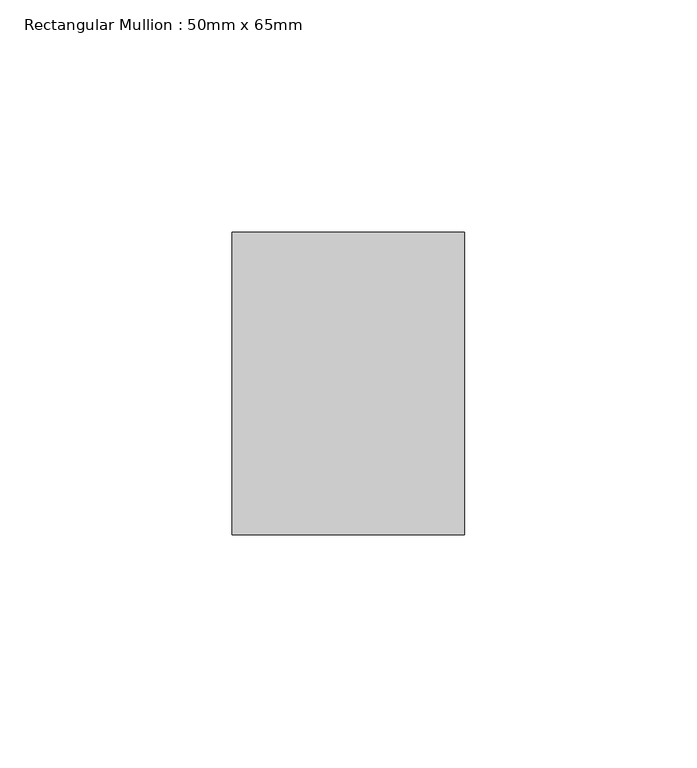
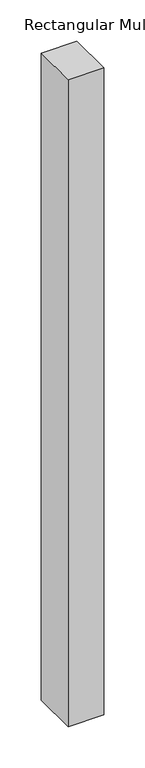
"""IFC4 building model written with IfcOpenShell, lengths in millimetres: member geometry, Rectangular Mullion : 50mm x 65mm."""

import ifcopenshell
import ifcopenshell.guid

model = None  # the IFC model being written
_history = None  # IfcOwnerHistory: only IFC2X3 demands one
_inside = {}  # id of a spatial element -> (the spatial element, [elements in it])
_under = {}  # id of a project, library or spatial element -> (it, [spatial elements below it])
_declared = {}  # id of a project -> (the project, [libraries it declares])
_typed = {}  # id of a type object -> (the type object, [elements of that type])
_made_of = {}  # id of a material, layer set ... -> (it, [elements and type objects made of it])


def new_model(schema):
    """Start an empty IFC model of exactly this schema.

    Asked for "IFC4X3", IfcOpenShell would pick the latest addendum, in which some entities
    have other attributes; the version numbers below select the first issue.
    IFC2X3 requires an IfcOwnerHistory on every rooted entity: one is made here for all.
    """
    global model, _history
    if schema == "IFC4X3":
        model = ifcopenshell.file(schema_version=(4, 3, 0, 0))
    else:
        model = ifcopenshell.file(schema=schema)
    _inside.clear()
    _under.clear()
    _declared.clear()
    _typed.clear()
    _made_of.clear()
    _history = None
    if model.schema == "IFC2X3":
        org = make("IfcOrganization", Name="unknown")
        user = make(
            "IfcPersonAndOrganization",
            ThePerson=make("IfcPerson", FamilyName="unknown"),
            TheOrganization=org,
        )
        app = make(
            "IfcApplication",
            ApplicationDeveloper=org,
            Version="unknown",
            ApplicationFullName="unknown",
            ApplicationIdentifier="unknown",
        )
        _history = make(
            "IfcOwnerHistory",
            OwningUser=user,
            OwningApplication=app,
            ChangeAction="ADDED",
            CreationDate=0,
        )
    return model


def make(cls, **values):
    """One entity of the class cls with the attributes given. An attribute that is None is left unset."""
    return model.create_entity(
        cls, **{name: value for name, value in values.items() if value is not None}
    )


def rooted(cls, **values):
    """An entity with a GlobalId (a new one), such as an element, a storey or a relation."""
    return make(cls, GlobalId=ifcopenshell.guid.new(), OwnerHistory=_history, **values)


def si_unit(unit_type, name, prefix=None):
    """IfcSIUnit, for example si_unit("LENGTHUNIT", "METRE", prefix="MILLI")."""
    return make("IfcSIUnit", UnitType=unit_type, Prefix=prefix, Name=name)


def assignment(units):
    """IfcUnitAssignment: the units of a project."""
    return None if units is None else make("IfcUnitAssignment", Units=units)


def point(xyz):
    """IfcCartesianPoint."""
    return None if xyz is None else make("IfcCartesianPoint", Coordinates=xyz)


def direction(xyz):
    """IfcDirection."""
    return None if xyz is None else make("IfcDirection", DirectionRatios=xyz)


def frame(location, z_axis=None, x_axis=None):
    """IfcAxis2Placement3D, a coordinate frame: its origin and axes. An axis left out is left unset."""
    return make(
        "IfcAxis2Placement3D",
        Location=point(location),
        Axis=direction(z_axis),
        RefDirection=direction(x_axis),
    )


def origin():
    """The frame at (0, 0, 0) with its axes left unset."""
    return frame((0.0, 0.0, 0.0))


def place(relative_to, where):
    """IfcLocalPlacement: puts the frame where relative to a parent placement (None: the world)."""
    return make(
        "IfcLocalPlacement", PlacementRelTo=relative_to, RelativePlacement=where
    )


def context(
    kind, dimensions, precision=None, world=None, true_north=None, identifier=None
):
    """IfcGeometricRepresentationContext, for example the 3D "Model" context."""
    return make(
        "IfcGeometricRepresentationContext",
        ContextIdentifier=identifier,
        ContextType=kind,
        CoordinateSpaceDimension=dimensions,
        Precision=precision,
        WorldCoordinateSystem=world,
        TrueNorth=true_north,
    )


def project(units=None, contexts=None):
    """IfcProject with its units and contexts."""
    return rooted(
        "IfcProject",
        Name="project",
        RepresentationContexts=contexts,
        UnitsInContext=assignment(units),
    )


def spatial(cls, under=None, at=None, **own):
    """A site, building, storey or space (cls), placed at a placement, below another one or the project."""
    s = rooted(cls, ObjectPlacement=at, **own)
    if under is not None:
        _under.setdefault(under.id(), (under, []))[1].append(s)
    return s


def polyline(points):
    """IfcPolyline through the points."""
    return make("IfcPolyline", Points=[point(p) for p in points])


def outline(outer, holes=None, kind="AREA"):
    """IfcArbitraryClosedProfileDef: a profile drawn as a closed curve; with holes, ...WithVoids."""
    if holes is None:
        return make("IfcArbitraryClosedProfileDef", ProfileType=kind, OuterCurve=outer)
    return make(
        "IfcArbitraryProfileDefWithVoids",
        ProfileType=kind,
        OuterCurve=outer,
        InnerCurves=holes,
    )


def extrude(swept, where, along, depth):
    """IfcExtrudedAreaSolid: the profile swept, set in the frame where, extruded along a direction by depth."""
    return make(
        "IfcExtrudedAreaSolid",
        SweptArea=swept,
        Position=where,
        ExtrudedDirection=direction(along),
        Depth=depth,
    )


def shape(context_of_items, identifier, shape_type, items):
    """IfcShapeRepresentation: the items that make up one representation, for example the "Body"."""
    return make(
        "IfcShapeRepresentation",
        ContextOfItems=context_of_items,
        RepresentationIdentifier=identifier,
        RepresentationType=shape_type,
        Items=items,
    )


def source(mapping_origin, context_of_items, identifier, shape_type, items):
    """IfcRepresentationMap: a shape defined once, which mapped items show again and again."""
    return make(
        "IfcRepresentationMap",
        MappingOrigin=mapping_origin,
        MappedRepresentation=shape(context_of_items, identifier, shape_type, items),
    )


def transform(
    local_origin,
    x_axis=None,
    y_axis=None,
    z_axis=None,
    scale=None,
    scale2=None,
    scale3=None,
    uniform=True,
):
    """IfcCartesianTransformationOperator3D, or its non-uniform kind. x_axis, y_axis, z_axis: its Axis1, 2, 3."""
    if uniform:
        return make(
            "IfcCartesianTransformationOperator3D",
            Axis1=direction(x_axis),
            Axis2=direction(y_axis),
            LocalOrigin=point(local_origin),
            Scale=scale,
            Axis3=direction(z_axis),
        )
    return make(
        "IfcCartesianTransformationOperator3DnonUniform",
        Axis1=direction(x_axis),
        Axis2=direction(y_axis),
        LocalOrigin=point(local_origin),
        Scale=scale,
        Axis3=direction(z_axis),
        Scale2=scale2,
        Scale3=scale3,
    )


def mapped(mapping_source, mapping_target):
    """IfcMappedItem: shows the shape of a source again, moved by a transform."""
    return make(
        "IfcMappedItem", MappingSource=mapping_source, MappingTarget=mapping_target
    )


def made_of(thing, what):
    """Note that an element or type object is made of a material, layer set ...; save() writes the relation."""
    if what is not None:
        _made_of.setdefault(what.id(), (what, []))[1].append(thing)
    return thing


def element(
    cls,
    number,
    at=None,
    inside=None,
    cuts=None,
    type_object=None,
    material=None,
    context=None,
    identifier="Body",
    shape_type=None,
    held_by="IfcProductDefinitionShape",
    body=None,
    shapes=None,
    **own,
):
    """One element of the class cls, such as IfcWall. Its Tag is "e" and its number.

    at: its placement. inside: the storey or other place that contains it. cuts: it is an
    opening in that element (IfcRelVoidsElement). A single representation is given by context,
    identifier, shape_type and body (its items); several are given by shapes. held_by: the class
    of the entity that holds the representations. save() writes the other relations.
    """
    e = rooted(cls, Tag="e%d" % number, ObjectPlacement=at, **own)
    if body is not None:
        shapes = [shape(context, identifier, shape_type, body)]
    if shapes is not None:
        e.Representation = make(held_by, Representations=shapes)
    if inside is not None:
        _inside.setdefault(inside.id(), (inside, []))[1].append(e)
    if cuts is not None:
        rooted(
            "IfcRelVoidsElement", RelatingBuildingElement=cuts, RelatedOpeningElement=e
        )
    if type_object is not None:
        _typed.setdefault(type_object.id(), (type_object, []))[1].append(e)
    return made_of(e, material)


def aggregate(whole, parts):
    """IfcRelAggregates: a whole, such as a stair, and the parts it consists of."""
    return rooted("IfcRelAggregates", RelatingObject=whole, RelatedObjects=parts)


def save(model, path):
    """Write the relations noted so far, then the file.

    IfcRelAggregates (storeys below a building ...), IfcRelContainedInSpatialStructure (elements
    in a storey), IfcRelDefinesByType, IfcRelAssociatesMaterial and IfcRelDeclares: one each for
    every whole, place, type object, material and project.
    """
    for whole, parts in _under.values():
        aggregate(whole, parts)
    for where, things in _inside.values():
        rooted(
            "IfcRelContainedInSpatialStructure",
            RelatedElements=things,
            RelatingStructure=where,
        )
    for kind, things in _typed.values():
        rooted("IfcRelDefinesByType", RelatedObjects=things, RelatingType=kind)
    for what, things in _made_of.values():
        rooted("IfcRelAssociatesMaterial", RelatedObjects=things, RelatingMaterial=what)
    for by, libraries in _declared.values():
        rooted("IfcRelDeclares", RelatingContext=by, RelatedDefinitions=libraries)
    model.write(path)


def rectangular_mullion_50mm_x_65mm_10c50184(model_context):
    return source(origin(), model_context, "Body", "SweptSolid", [
        extrude(outline(polyline([(25.0, 32.5), (25.0, -32.5), (-25.0, -32.5), (-25.0, 32.5), (25.0, 32.5)])), frame((0.0, 0.0, -957.7638813), z_axis=(0.0, 0.0, 1.0), x_axis=(1.0, 0.0, 0.0)), (0.0, 0.0, 1.0), 957.7638813),
    ])


if __name__ == "__main__":
    model = new_model("IFC4")
    model_context = context("Model", 3, world=origin())
    ifc_project = project(units=[si_unit("LENGTHUNIT", "METRE", prefix="MILLI")], contexts=[model_context])
    site = spatial("IfcSite", under=ifc_project)
    building = spatial("IfcBuilding", under=site)
    placement = place(None, origin())
    rectangular_mullion_50mm_x_65mm_shape = rectangular_mullion_50mm_x_65mm_10c50184(model_context)
    element("IfcMember", 1, ObjectType="Rectangular Mullion : 50mm x 65mm", at=placement, inside=building, context=model_context, shape_type="MappedRepresentation", body=[
        mapped(rectangular_mullion_50mm_x_65mm_shape, transform((0.0, 0.0, 0.0), x_axis=(1.0, 0.0, 0.0), y_axis=(0.0, 1.0, 0.0), z_axis=(0.0, 0.0, 1.0))),
    ])
    save(model, "model.ifc")
